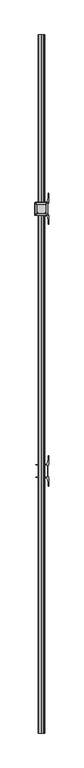
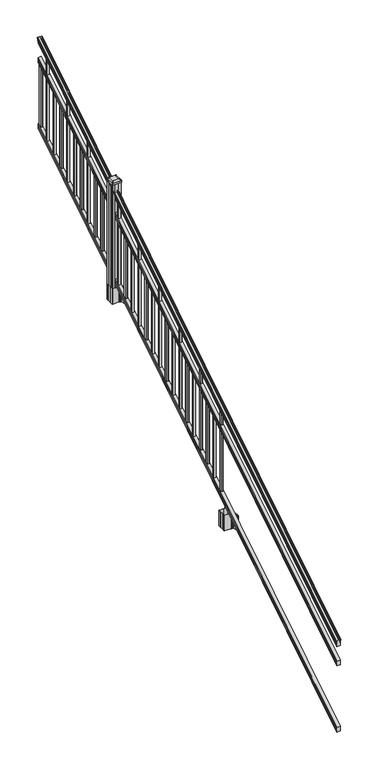
"""IFC4 building model written with IfcOpenShell, lengths in millimetres: railing geometry."""

from ifc_helpers import new_model, si_unit, point, frame, frame_2d, origin, place, context, project, spatial, polyline, circle_curve, ellipse_curve, trimmed, segment, composite_curve, outline, extrude, faceted_brep, source, transform, mapped, element, save
from ifc_brep_helpers import plane_surface, cylinder_surface, revolved_surface, extruded_surface, advanced_brep


def railing_e0702e01(model_context):
    return source(origin(), model_context, "Body", "SolidModel", [
        advanced_brep(
        [(5923.032944, -115957.2628453, 1133.2070492), (5925.6067728, -115957.2628453, 1133.2070492), (5925.6067728, -115957.2628453, 1120.6394336), (5924.5907728, -115957.2628453, 1119.441318), (5924.5907728, -115957.2628453, 1104.9), (5956.3407728, -115957.2628453, 1104.9), (5956.3407728, -115957.2628453, 1119.6274214), (5955.3247728, -115957.2628453, 1120.825537), (5955.3247728, -115957.2628453, 1133.2070492), (5957.8986015, -115957.2628453, 1133.2070492), (5957.8986015, -115957.2628453, 1135.4335658), (5959.0287878, -115957.2628453, 1137.2758543), (5959.0287878, -115957.2628453, 1145.7876358), (5958.3795314, -115957.2628453, 1148.6572588), (5960.8795314, -115957.2628453, 1153.7635509), (5962.2888739, -115957.2628453, 1155.7442021), (5962.6907729, -115957.2628453, 1157.0469579), (5962.6907728, -115957.2628453, 1158.6274846), (5961.1373255, -115957.2628453, 1160.4593836), (5940.4657728, -115957.2628453, 1160.4593836), (5919.79422, -115957.2628453, 1160.4593836), (5918.2407728, -115957.2628453, 1158.6274846), (5918.2407728, -115957.2628453, 1157.0469579), (5918.6426717, -115957.2628453, 1155.7442021), (5920.0520141, -115957.2628453, 1153.7635509), (5922.5520141, -115957.2628453, 1148.6572588), (5921.9027577, -115957.2628453, 1145.7876358), (5921.9027577, -115957.2628453, 1137.2758543), (5923.032944, -115957.2628453, 1135.4335658), (5923.032944, -111080.4628453, 4181.2070492), (5923.032944, -111080.4628453, 4183.4335658), (5921.9027577, -111080.4628453, 4185.2758543), (5921.9027577, -111080.4628453, 4193.7876358), (5922.5520141, -111080.4628453, 4196.6572588), (5920.0520141, -111080.4628453, 4201.7635509), (5918.6426717, -111080.4628453, 4203.7442021), (5918.2407727, -111080.4628453, 4205.0469579), (5918.2407728, -111080.4628453, 4206.6274846), (5919.79422, -111080.4628453, 4208.4593836), (5940.4657728, -111080.4628453, 4208.4593836), (5961.1373255, -111080.4628453, 4208.4593836), (5962.6907728, -111080.4628453, 4206.6274846), (5962.6907728, -111080.4628453, 4205.0469579), (5962.2888739, -111080.4628453, 4203.7442021), (5960.8795314, -111080.4628453, 4201.7635509), (5958.3795314, -111080.4628453, 4196.6572588), (5959.0287878, -111080.4628453, 4193.7876358), (5959.0287878, -111080.4628453, 4185.2758543), (5957.8986015, -111080.4628453, 4183.4335658), (5957.8986015, -111080.4628453, 4181.2070492), (5955.3247728, -111080.4628453, 4181.2070492), (5955.3247728, -111080.4628453, 4168.825537), (5956.3407728, -111080.4628453, 4167.6274214), (5956.3407728, -111080.4628453, 4152.9), (5924.5907728, -111080.4628453, 4152.9), (5924.5907728, -111080.4628453, 4167.441318), (5925.6067728, -111080.4628453, 4168.6394336), (5925.6067728, -111080.4628453, 4181.2070492)],
        [
            (0, 1, ellipse_curve(frame((5924.3198584, -115957.2628453, 1133.2070492), z_axis=(0.0, -1.0, 0.0), x_axis=(0.0, 0.0, -1.0)), 1.5175907, 1.2869144)),
            (1, 2),
            (2, 3),
            (3, 4),
            (4, 5),
            (5, 6),
            (6, 7),
            (7, 8),
            (8, 9, ellipse_curve(frame((5956.6116871, -115957.2628453, 1133.2070492), z_axis=(0.0, -1.0, 0.0), x_axis=(0.0, 0.0, -1.0)), 1.5175907, 1.2869144)),
            (9, 10),
            (10, 11, ellipse_curve(frame((5951.5838482, -115957.2628453, 1142.2239405), z_axis=(0.0, -1.0, 0.0), x_axis=(0.0, 0.0, -1.0)), 10.0777926, 8.545951)),
            (11, 12, ellipse_curve(frame((5952.0209112, -115957.2628453, 1141.5317451), z_axis=(0.0, -1.0, 0.0), x_axis=(0.0, 0.0, -1.0)), 9.2955186, 7.882584)),
            (12, 13, ellipse_curve(frame((5962.5342353, -115957.2628453, 1148.4275077), z_axis=(0.0, 1.0, 0.0), x_axis=(0.0, 0.0, 1.0)), 4.9048088, 4.1592695)),
            (13, 14, ellipse_curve(frame((5963.8215419, -115957.2628453, 1148.3563208), z_axis=(0.0, 1.0, 0.0), x_axis=(0.0, 0.0, 1.0)), 6.4245301, 5.4479907)),
            (14, 15, ellipse_curve(frame((5962.5883834, -115957.2628453, 1153.7602333), z_axis=(0.0, 1.0, 0.0), x_axis=(0.0, 0.0, 1.0)), 2.0151625, 1.7088543)),
            (15, 16, ellipse_curve(frame((5960.9714833, -115957.2628453, 1157.0469579), z_axis=(0.0, -1.0, 0.0), x_axis=(0.0, 0.0, -1.0)), 2.0274681, 1.7192895)),
            (16, 17),
            (17, 18, ellipse_curve(frame((5961.1373255, -115957.2628453, 1158.6274846), z_axis=(0.0, -1.0, 0.0), x_axis=(0.0, 0.0, -1.0)), 1.831899, 1.5534472)),
            (18, 19),
            (19, 20),
            (20, 21, ellipse_curve(frame((5919.79422, -115957.2628453, 1158.6274846), z_axis=(0.0, -1.0, 0.0), x_axis=(0.0, 0.0, -1.0)), 1.831899, 1.5534472)),
            (21, 22),
            (22, 23, ellipse_curve(frame((5919.9600622, -115957.2628453, 1157.0469579), z_axis=(0.0, -1.0, 0.0), x_axis=(0.0, 0.0, -1.0)), 2.0274681, 1.7192895)),
            (23, 24, ellipse_curve(frame((5918.3431621, -115957.2628453, 1153.7602333), z_axis=(0.0, 1.0, 0.0), x_axis=(0.0, 0.0, 1.0)), 2.0151625, 1.7088543)),
            (24, 25, ellipse_curve(frame((5917.1100037, -115957.2628453, 1148.3563208), z_axis=(0.0, 1.0, 0.0), x_axis=(0.0, 0.0, 1.0)), 6.4245301, 5.4479907)),
            (25, 26, ellipse_curve(frame((5918.3973102, -115957.2628453, 1148.4275077), z_axis=(0.0, 1.0, 0.0), x_axis=(0.0, 0.0, 1.0)), 4.9048088, 4.1592695)),
            (26, 27, ellipse_curve(frame((5928.9106343, -115957.2628453, 1141.5317451), z_axis=(0.0, -1.0, 0.0), x_axis=(0.0, 0.0, -1.0)), 9.2955186, 7.882584)),
            (27, 28, ellipse_curve(frame((5929.3476973, -115957.2628453, 1142.2239405), z_axis=(0.0, -1.0, 0.0), x_axis=(0.0, 0.0, -1.0)), 10.0777926, 8.545951)),
            (28, 0),
            (29, 30),
            (30, 31, ellipse_curve(frame((5929.3476973, -111080.4628453, 4190.2239405), z_axis=(0.0, 1.0, 0.0), x_axis=(0.0, 0.0, -1.0)), 10.0777926, 8.545951)),
            (31, 32, ellipse_curve(frame((5928.9106343, -111080.4628453, 4189.5317451), z_axis=(0.0, 1.0, 0.0), x_axis=(0.0, 0.0, -1.0)), 9.2955186, 7.882584)),
            (32, 33, ellipse_curve(frame((5918.3973102, -111080.4628453, 4196.4275077), z_axis=(0.0, -1.0, 0.0), x_axis=(0.0, 0.0, 1.0)), 4.9048088, 4.1592695)),
            (33, 34, ellipse_curve(frame((5917.1100037, -111080.4628453, 4196.3563208), z_axis=(0.0, -1.0, 0.0), x_axis=(0.0, 0.0, 1.0)), 6.4245301, 5.4479907)),
            (34, 35, ellipse_curve(frame((5918.3431621, -111080.4628453, 4201.7602333), z_axis=(0.0, -1.0, 0.0), x_axis=(0.0, 0.0, 1.0)), 2.0151625, 1.7088543)),
            (35, 36, ellipse_curve(frame((5919.9600622, -111080.4628453, 4205.0469579), z_axis=(0.0, 1.0, 0.0), x_axis=(0.0, 0.0, -1.0)), 2.0274681, 1.7192895)),
            (36, 37),
            (37, 38, ellipse_curve(frame((5919.79422, -111080.4628453, 4206.6274846), z_axis=(0.0, 1.0, 0.0), x_axis=(0.0, 0.0, -1.0)), 1.831899, 1.5534472)),
            (38, 39),
            (39, 40),
            (40, 41, ellipse_curve(frame((5961.1373255, -111080.4628453, 4206.6274846), z_axis=(0.0, 1.0, 0.0), x_axis=(0.0, 0.0, -1.0)), 1.831899, 1.5534472)),
            (41, 42),
            (42, 43, ellipse_curve(frame((5960.9714833, -111080.4628453, 4205.0469579), z_axis=(0.0, 1.0, 0.0), x_axis=(0.0, 0.0, -1.0)), 2.0274681, 1.7192895)),
            (43, 44, ellipse_curve(frame((5962.5883834, -111080.4628453, 4201.7602333), z_axis=(0.0, -1.0, 0.0), x_axis=(0.0, 0.0, 1.0)), 2.0151625, 1.7088543)),
            (44, 45, ellipse_curve(frame((5963.8215419, -111080.4628453, 4196.3563208), z_axis=(0.0, -1.0, 0.0), x_axis=(0.0, 0.0, 1.0)), 6.4245301, 5.4479907)),
            (45, 46, ellipse_curve(frame((5962.5342353, -111080.4628453, 4196.4275077), z_axis=(0.0, -1.0, 0.0), x_axis=(0.0, 0.0, 1.0)), 4.9048088, 4.1592695)),
            (46, 47, ellipse_curve(frame((5952.0209112, -111080.4628453, 4189.5317451), z_axis=(0.0, 1.0, 0.0), x_axis=(0.0, 0.0, -1.0)), 9.2955186, 7.882584)),
            (47, 48, ellipse_curve(frame((5951.5838482, -111080.4628453, 4190.2239405), z_axis=(0.0, 1.0, 0.0), x_axis=(0.0, 0.0, -1.0)), 10.0777926, 8.545951)),
            (48, 49),
            (49, 50, ellipse_curve(frame((5956.6116871, -111080.4628453, 4181.2070492), z_axis=(0.0, 1.0, 0.0), x_axis=(0.0, 0.0, -1.0)), 1.5175907, 1.2869144)),
            (50, 51),
            (51, 52),
            (52, 53),
            (53, 54),
            (54, 55),
            (55, 56),
            (56, 57),
            (57, 29, ellipse_curve(frame((5924.3198584, -111080.4628453, 4181.2070492), z_axis=(0.0, 1.0, 0.0), x_axis=(0.0, 0.0, -1.0)), 1.5175907, 1.2869144)),
            (28, 30),
            (29, 0),
            (27, 31),
            (26, 32),
            (25, 33),
            (24, 34),
            (23, 35),
            (22, 36),
            (21, 37),
            (20, 38),
            (19, 39),
            (18, 40),
            (17, 41),
            (16, 42),
            (15, 43),
            (14, 44),
            (13, 45),
            (12, 46),
            (11, 47),
            (10, 48),
            (9, 49),
            (8, 50),
            (7, 51),
            (6, 52),
            (5, 53),
            (4, 54),
            (3, 55),
            (2, 56),
            (1, 57),
        ],
        [
            plane_surface(frame((5940.4657728, -115957.2628453, 1104.9), z_axis=(0.0, -1.0, 0.0), x_axis=(0.0, 0.0, 1.0))),
            plane_surface(frame((5940.4657728, -111080.4628453, 4152.9), z_axis=(0.0, 1.0, 0.0), x_axis=(0.0, 0.0, 1.0))),
            plane_surface(frame((5923.032944, -115957.2628453, 1135.4335658), z_axis=(-1.0, 0.0, 0.0), x_axis=(0.0, 0.8479983040051252, 0.5299989400031204))),
            cylinder_surface(frame((5929.3476973, -115974.03765, 1131.7396876), z_axis=(0.0, -0.8479983040051253, -0.5299989400031204), x_axis=(1.0, 0.0, 0.0)), 8.545951),
            cylinder_surface(frame((5928.9106343, -115973.7265509, 1131.241929), z_axis=(0.0, -0.8479983040051253, -0.5299989400031204), x_axis=(1.0, 0.0, 0.0)), 7.882584),
            revolved_surface(polyline([(5922.5565797, -111078.25843685034, 4197.805262980552), (5922.5565797, -115959.46725374945, 1147.0497524190953)]), (5918.3973102, -115976.8257701, 1136.2006797), (0.0, 0.8479983040051253, 0.5299989400031204)),
            revolved_surface(polyline([(5922.5579944, -111077.57541603575, 4198.160964077185), (5922.5579944, -115960.15027455281, 1146.551677504493)]), (5917.1100037, -115976.793776, 1136.1494891), (0.0, 0.8479983040051253, 0.5299989400031204)),
            revolved_surface(polyline([(5920.0520164, -111079.55715429978, 4202.326290199651), (5920.0520164, -115958.16853632247, 1153.1941764359478)]), (5918.3431621, -115979.2225007, 1140.0354487), (0.0, 0.8479983040051253, 0.5299989400031204)),
            cylinder_surface(frame((5919.9600622, -115980.6996803, 1142.398936), z_axis=(0.0, -0.8479983040051253, -0.5299989400031204), x_axis=(1.0, 0.0, 0.0)), 1.7192895),
            plane_surface(frame((5918.2407728, -115957.2628453, 1158.6274846), z_axis=(-1.0, 0.0, 0.0), x_axis=(0.0, 0.8479983040051252, 0.5299989400031204))),
            cylinder_surface(frame((5919.79422, -115981.4100294, 1143.5354945), z_axis=(0.0, -0.8479983040051253, -0.5299989400031204), x_axis=(1.0, 0.0, 0.0)), 1.5534472),
            plane_surface(frame((5940.4657728, -115957.2628453, 1160.4593836), z_axis=(0.0, -0.5299989400031204, 0.8479983040051252), x_axis=(0.0, 0.8479983040051252, 0.5299989400031204))),
            plane_surface(frame((5961.1373255, -115957.2628453, 1160.4593836), z_axis=(0.0, -0.5299989400031204, 0.8479983040051252), x_axis=(0.0, 0.8479983040051252, 0.5299989400031204))),
            cylinder_surface(frame((5961.1373255, -115981.4100294, 1143.5354945), z_axis=(0.0, -0.8479983040051253, -0.5299989400031204), x_axis=(-1.0, 0.0, 0.0)), 1.5534472),
            plane_surface(frame((5962.6907728, -115957.2628453, 1157.0469579), z_axis=(1.0, 0.0, 0.0), x_axis=(0.0, 0.8479983040051252, 0.5299989400031204))),
            cylinder_surface(frame((5960.9714833, -115980.6996803, 1142.398936), z_axis=(0.0, -0.8479983040051253, -0.5299989400031204), x_axis=(-1.0, 0.0, 0.0)), 1.7192895),
            revolved_surface(polyline([(5960.8795291, -111079.55715429978, 4202.326290199651), (5960.8795291, -115958.16853632247, 1153.1941764359478)]), (5962.5883834, -115979.2225007, 1140.0354487), (0.0, 0.8479983040051253, 0.5299989400031204)),
            revolved_surface(polyline([(5958.373551199999, -111077.57541603575, 4198.160964077185), (5958.373551199999, -115960.15027455281, 1146.551677504493)]), (5963.8215419, -115976.793776, 1136.1494891), (0.0, 0.8479983040051253, 0.5299989400031204)),
            revolved_surface(polyline([(5958.3749658, -111078.25843685034, 4197.805262980552), (5958.3749658, -115959.46725374945, 1147.0497524190953)]), (5962.5342353, -115976.8257701, 1136.2006797), (0.0, 0.8479983040051253, 0.5299989400031204)),
            cylinder_surface(frame((5952.0209112, -115973.7265509, 1131.241929), z_axis=(0.0, -0.8479983040051253, -0.5299989400031204), x_axis=(-1.0, 0.0, 0.0)), 7.882584),
            cylinder_surface(frame((5951.5838482, -115974.03765, 1131.7396876), z_axis=(0.0, -0.8479983040051253, -0.5299989400031204), x_axis=(-1.0, 0.0, 0.0)), 8.545951),
            plane_surface(frame((5957.8986015, -115957.2628453, 1133.2070492), z_axis=(1.0, 0.0, 0.0), x_axis=(0.0, 0.8479983040051252, 0.5299989400031204))),
            cylinder_surface(frame((5956.6116871, -115969.9851146, 1125.2556309), z_axis=(0.0, -0.8479983040051253, -0.5299989400031204), x_axis=(-1.0, 0.0, 0.0)), 1.2869144),
            plane_surface(frame((5955.3247728, -115957.2628453, 1120.825537), z_axis=(1.0, 0.0, 0.0), x_axis=(0.0, 0.8479983040051252, 0.5299989400031204))),
            plane_surface(frame((5956.3407728, -115957.2628453, 1119.6274214), z_axis=(0.7071067811865425, -0.37476584449789213, 0.5996253511967194), x_axis=(0.0, 0.8479983040051252, 0.5299989400031204))),
            plane_surface(frame((5956.3407728, -115957.2628453, 1104.9), z_axis=(1.0, 0.0, 0.0), x_axis=(0.0, 0.8479983040051252, 0.5299989400031204))),
            plane_surface(frame((5924.5907728, -115957.2628453, 1104.9), z_axis=(0.0, 0.5299989400031204, -0.8479983040051252), x_axis=(0.0, 0.8479983040051252, 0.5299989400031204))),
            plane_surface(frame((5924.5907728, -115957.2628453, 1119.441318), z_axis=(-1.0000000000000002, 0.0, 0.0), x_axis=(0.0, 0.8479983040051253, 0.5299989400031204))),
            plane_surface(frame((5925.6067728, -115957.2628453, 1120.6394336), z_axis=(-0.7071067811865401, -0.3747658444978918, 0.5996253511967223), x_axis=(0.0, 0.8479983040051253, 0.5299989400031204))),
            plane_surface(frame((5925.6067728, -115957.2628453, 1133.2070492), z_axis=(-1.0, 0.0, 0.0), x_axis=(0.0, 0.8479983040051252, 0.5299989400031204))),
            cylinder_surface(frame((5924.3198584, -115969.9851146, 1125.2556309), z_axis=(0.0, -0.8479983040051253, -0.5299989400031204), x_axis=(1.0, 0.0, 0.0)), 1.2869144),
        ],
        [
            (0, [[1, 2, 3, 4, 5, 6, 7, 8, 9, 10, 11, 12, 13, 14, 15, 16, 17, 18, 19, 20, 21, 22, 23, 24, 25, 26, 27, 28, 29]]),
            (1, [[30, 31, 32, 33, 34, 35, 36, 37, 38, 39, 40, 41, 42, 43, 44, 45, 46, 47, 48, 49, 50, 51, 52, 53, 54, 55, 56, 57, 58]]),
            (2, [[-29, 59, -30, 60]]),
            (3, [[-28, 61, -31, -59]]),
            (4, [[-27, 62, -32, -61]]),
            (5, [[-26, 63, -33, -62]]),
            (6, [[-25, 64, -34, -63]]),
            (7, [[-24, 65, -35, -64]]),
            (8, [[-23, 66, -36, -65]]),
            (9, [[-22, 67, -37, -66]]),
            (10, [[-21, 68, -38, -67]]),
            (11, [[-20, 69, -39, -68]]),
            (12, [[-19, 70, -40, -69]]),
            (13, [[-18, 71, -41, -70]]),
            (14, [[-17, 72, -42, -71]]),
            (15, [[-16, 73, -43, -72]]),
            (16, [[-15, 74, -44, -73]]),
            (17, [[-14, 75, -45, -74]]),
            (18, [[-13, 76, -46, -75]]),
            (19, [[-12, 77, -47, -76]]),
            (20, [[-11, 78, -48, -77]]),
            (21, [[-10, 79, -49, -78]]),
            (22, [[-9, 80, -50, -79]]),
            (23, [[-8, 81, -51, -80]]),
            (24, [[-7, 82, -52, -81]]),
            (25, [[-6, 83, -53, -82]]),
            (26, [[-5, 84, -54, -83]]),
            (27, [[-4, 85, -55, -84]]),
            (28, [[-3, 86, -56, -85]]),
            (29, [[-2, 87, -57, -86]]),
            (30, [[-1, -60, -58, -87]]),
        ],
    ),
        faceted_brep([(5924.5532859, -115957.2628453, 929.2045079), (5924.5532859, -115957.2628453, 914.4), (5956.3032859, -115957.2628453, 914.4), (5956.3032859, -115957.2628453, 929.1848772), (5955.2872859, -115957.2628453, 930.7748303), (5955.2872859, -115957.2628453, 942.9348741), (5956.3032859, -115957.2628453, 944.5248272), (5956.3032859, -115957.2628453, 959.3244744), (5924.5532859, -115957.2628453, 959.3244744), (5924.5532859, -115957.2628453, 944.5444579), (5925.5692859, -115957.2628453, 942.9545048), (5925.5692859, -115957.2628453, 930.738026), (5924.5532859, -111080.4628453, 3977.2045079), (5925.5692859, -111080.4628453, 3978.738026), (5925.5692859, -111080.4628453, 3990.9545048), (5924.5532859, -111080.4628453, 3992.5444579), (5924.5532859, -111080.4628453, 4007.3244744), (5956.3032859, -111080.4628453, 4007.3244744), (5956.3032859, -111080.4628453, 3992.5248272), (5955.2872859, -111080.4628453, 3990.9348741), (5955.2872859, -111080.4628453, 3978.7748303), (5956.3032859, -111080.4628453, 3977.1848772), (5956.3032859, -111080.4628453, 3962.4), (5924.5532859, -111080.4628453, 3962.4)], [[[0, 1, 2, 3, 4, 5, 6, 7, 8, 9, 10, 11]], [[12, 13, 14, 15, 16, 17, 18, 19, 20, 21, 22, 23]], [[0, 11, 13, 12]], [[11, 10, 14, 13]], [[10, 9, 15, 14]], [[9, 8, 16, 15]], [[8, 7, 17, 16]], [[7, 6, 18, 17]], [[6, 5, 19, 18]], [[5, 4, 20, 19]], [[4, 3, 21, 20]], [[3, 2, 22, 21]], [[2, 1, 23, 22]], [[1, 0, 12, 23]]]),
        faceted_brep([(5924.5532859, -115957.2628453, 268.8045079), (5924.5532859, -115957.2628453, 254.0), (5956.3032859, -115957.2628453, 254.0), (5956.3032859, -115957.2628453, 268.7848772), (5955.2872859, -115957.2628453, 270.3748303), (5955.2872859, -115957.2628453, 282.5348741), (5956.3032859, -115957.2628453, 284.1248272), (5956.3032859, -115957.2628453, 298.9244744), (5924.5532859, -115957.2628453, 298.9244744), (5924.5532859, -115957.2628453, 284.1444579), (5925.5692859, -115957.2628453, 282.5545048), (5925.5692859, -115957.2628453, 270.338026), (5924.5532859, -111080.4628453, 3316.8045079), (5925.5692859, -111080.4628453, 3318.338026), (5925.5692859, -111080.4628453, 3330.5545048), (5924.5532859, -111080.4628453, 3332.1444579), (5924.5532859, -111080.4628453, 3346.9244744), (5956.3032859, -111080.4628453, 3346.9244744), (5956.3032859, -111080.4628453, 3332.1248272), (5955.2872859, -111080.4628453, 3330.5348741), (5955.2872859, -111080.4628453, 3318.3748303), (5956.3032859, -111080.4628453, 3316.7848772), (5956.3032859, -111080.4628453, 3302.0), (5924.5532859, -111080.4628453, 3302.0)], [[[0, 1, 2, 3, 4, 5, 6, 7, 8, 9, 10, 11]], [[12, 13, 14, 15, 16, 17, 18, 19, 20, 21, 22, 23]], [[1, 0, 12, 23]], [[7, 6, 18, 17]], [[9, 8, 16, 15]], [[11, 10, 14, 13]], [[2, 1, 23, 22]], [[3, 2, 22, 21]], [[4, 3, 21, 20]], [[5, 4, 20, 19]], [[6, 5, 19, 18]], [[8, 7, 17, 16]], [[10, 9, 15, 14]], [[0, 11, 13, 12]]]),
        extrude(outline(polyline([(5930.9407728, -111111.5778453), (5930.9407728, -111092.5278453), (5949.9907728, -111092.5278453), (5949.9907728, -111111.5778453), (5930.9407728, -111111.5778453)]), holes=[polyline([(5931.3376478, -111111.1809703), (5949.5938978, -111111.1809703), (5949.5938978, -111092.9247203), (5931.3376478, -111092.9247203), (5931.3376478, -111111.1809703)])]), frame((0.0, 0.0, 3326.6021281), z_axis=(0.0, 0.0, 1.0), x_axis=(1.0, 0.0, 0.0)), (0.0, 0.0, 1.0), 622.3041219),
        extrude(outline(polyline([(5930.9407728, -111222.8298453), (5930.9407728, -111203.7798453), (5949.9907728, -111203.7798453), (5949.9907728, -111222.8298453), (5930.9407728, -111222.8298453)]), holes=[polyline([(5931.3376478, -111222.4329703), (5949.5938978, -111222.4329703), (5949.5938978, -111204.1767203), (5931.3376478, -111204.1767203), (5931.3376478, -111222.4329703)])]), frame((0.0, 0.0, 3257.0696281), z_axis=(0.0, 0.0, 1.0), x_axis=(1.0, 0.0, 0.0)), (0.0, 0.0, 1.0), 812.8041219),
        extrude(outline(polyline([(5930.9407728, -111334.0818453), (5930.9407728, -111315.0318453), (5949.9907728, -111315.0318453), (5949.9907728, -111334.0818453), (5930.9407728, -111334.0818453)]), holes=[polyline([(5931.3376478, -111333.6849703), (5949.5938978, -111333.6849703), (5949.5938978, -111315.4287203), (5931.3376478, -111315.4287203), (5931.3376478, -111333.6849703)])]), frame((0.0, 0.0, 3187.5371281), z_axis=(0.0, 0.0, 1.0), x_axis=(1.0, 0.0, 0.0)), (0.0, 0.0, 1.0), 622.3041219),
        extrude(outline(polyline([(5930.9407728, -111445.3338453), (5930.9407728, -111426.2838453), (5949.9907728, -111426.2838453), (5949.9907728, -111445.3338453), (5930.9407728, -111445.3338453)]), holes=[polyline([(5931.3376478, -111444.9369703), (5949.5938978, -111444.9369703), (5949.5938978, -111426.6807203), (5931.3376478, -111426.6807203), (5931.3376478, -111444.9369703)])]), frame((0.0, 0.0, 3118.0046281), z_axis=(0.0, 0.0, 1.0), x_axis=(1.0, 0.0, 0.0)), (0.0, 0.0, 1.0), 622.3041219),
        extrude(outline(polyline([(5930.9407728, -111556.5858453), (5930.9407728, -111537.5358453), (5949.9907728, -111537.5358453), (5949.9907728, -111556.5858453), (5930.9407728, -111556.5858453)]), holes=[polyline([(5931.3376478, -111556.1889703), (5949.5938978, -111556.1889703), (5949.5938978, -111537.9327203), (5931.3376478, -111537.9327203), (5931.3376478, -111556.1889703)])]), frame((0.0, 0.0, 3048.4721281), z_axis=(0.0, 0.0, 1.0), x_axis=(1.0, 0.0, 0.0)), (0.0, 0.0, 1.0), 812.8041219),
        extrude(outline(polyline([(5930.9407728, -111667.8378453), (5930.9407728, -111648.7878453), (5949.9907728, -111648.7878453), (5949.9907728, -111667.8378453), (5930.9407728, -111667.8378453)]), holes=[polyline([(5931.3376478, -111667.4409703), (5949.5938978, -111667.4409703), (5949.5938978, -111649.1847203), (5931.3376478, -111649.1847203), (5931.3376478, -111667.4409703)])]), frame((0.0, 0.0, 2978.9396281), z_axis=(0.0, 0.0, 1.0), x_axis=(1.0, 0.0, 0.0)), (0.0, 0.0, 1.0), 622.3041219),
        extrude(outline(polyline([(5930.9407728, -111779.0898453), (5930.9407728, -111760.0398453), (5949.9907728, -111760.0398453), (5949.9907728, -111779.0898453), (5930.9407728, -111779.0898453)]), holes=[polyline([(5931.3376478, -111778.6929703), (5949.5938978, -111778.6929703), (5949.5938978, -111760.4367203), (5931.3376478, -111760.4367203), (5931.3376478, -111778.6929703)])]), frame((0.0, 0.0, 2909.4071281), z_axis=(0.0, 0.0, 1.0), x_axis=(1.0, 0.0, 0.0)), (0.0, 0.0, 1.0), 622.3041219),
        extrude(outline(polyline([(5930.9407728, -111890.3418453), (5930.9407728, -111871.2918453), (5949.9907728, -111871.2918453), (5949.9907728, -111890.3418453), (5930.9407728, -111890.3418453)]), holes=[polyline([(5931.3376478, -111889.9449703), (5949.5938978, -111889.9449703), (5949.5938978, -111871.6887203), (5931.3376478, -111871.6887203), (5931.3376478, -111889.9449703)])]), frame((0.0, 0.0, 2839.8746281), z_axis=(0.0, 0.0, 1.0), x_axis=(1.0, 0.0, 0.0)), (0.0, 0.0, 1.0), 812.8041219),
        extrude(outline(polyline([(5930.9407728, -112001.5938453), (5930.9407728, -111982.5438453), (5949.9907728, -111982.5438453), (5949.9907728, -112001.5938453), (5930.9407728, -112001.5938453)]), holes=[polyline([(5931.3376478, -112001.1969703), (5949.5938978, -112001.1969703), (5949.5938978, -111982.9407203), (5931.3376478, -111982.9407203), (5931.3376478, -112001.1969703)])]), frame((0.0, 0.0, 2770.3421281), z_axis=(0.0, 0.0, 1.0), x_axis=(1.0, 0.0, 0.0)), (0.0, 0.0, 1.0), 622.3041219),
        extrude(outline(polyline([(5930.9407728, -112112.8458453), (5930.9407728, -112093.7958453), (5949.9907728, -112093.7958453), (5949.9907728, -112112.8458453), (5930.9407728, -112112.8458453)]), holes=[polyline([(5931.3376478, -112112.4489703), (5949.5938978, -112112.4489703), (5949.5938978, -112094.1927203), (5931.3376478, -112094.1927203), (5931.3376478, -112112.4489703)])]), frame((0.0, 0.0, 2700.8096281), z_axis=(0.0, 0.0, 1.0), x_axis=(1.0, 0.0, 0.0)), (0.0, 0.0, 1.0), 622.3041219),
        extrude(outline(polyline([(5930.9407728, -112224.0978453), (5930.9407728, -112205.0478453), (5949.9907728, -112205.0478453), (5949.9907728, -112224.0978453), (5930.9407728, -112224.0978453)]), holes=[polyline([(5931.3376478, -112223.7009703), (5949.5938978, -112223.7009703), (5949.5938978, -112205.4447203), (5931.3376478, -112205.4447203), (5931.3376478, -112223.7009703)])]), frame((0.0, 0.0, 2631.2771281), z_axis=(0.0, 0.0, 1.0), x_axis=(1.0, 0.0, 0.0)), (0.0, 0.0, 1.0), 812.8041219),
        extrude(outline(composite_curve([segment(polyline([(5897.7302728, -112312.9849401), (5897.7302728, -112278.2127504), (5896.1427728, -112277.4507504), (5896.1427728, -112254.6488224), (5899.5157498, -112251.2758453), (5960.9754206, -112251.2758453), (5960.9754206, -112250.3550953), (5966.2929645, -112250.3550953), (5966.2929645, -112248.9008406), (5971.3774942, -112248.9008406), (5971.3774942, -112247.6168168), (5973.0447665, -112247.6168168)]), True, "CONTINUOUS"), segment(trimmed(circle_curve(frame_2d((5973.0447665, -112240.5573569)), 7.0594599), [point((5973.0447665, -112247.6168168))], [point((5979.8120293, -112242.5673636))], True, "CARTESIAN"), True, "CONTINUOUS"), segment(polyline([(5979.8120293, -112242.5673636), (5987.6862236, -112216.0566345)]), True, "CONTINUOUS"), segment(trimmed(circle_curve(frame_2d((5932.9017103, -112199.7845848)), 57.15), [point((5987.6862236, -112216.0566345))], [point((5990.0517103, -112199.7845848))], True, "CARTESIAN"), True, "CONTINUOUS"), segment(polyline([(5990.0517103, -112199.7845848), (5990.0517103, -112187.7758453), (5993.0517103, -112187.7758453), (5993.0517103, -112252.8633453), (5984.7887728, -112264.2016366), (5984.7887728, -112277.4507504), (5983.2012728, -112278.2127504), (5983.2012728, -112312.9849401), (5984.7887728, -112313.7469401), (5984.7887728, -112326.996054), (5993.0517103, -112338.3343453), (5993.0517103, -112403.4218453), (5990.0517103, -112403.4218453), (5990.0517103, -112391.4131057)]), True, "CONTINUOUS"), segment(trimmed(circle_curve(frame_2d((5932.9017103, -112391.4131057)), 57.15), [point((5990.0517103, -112391.4131057))], [point((5987.6862236, -112375.1410561))], True, "CARTESIAN"), True, "CONTINUOUS"), segment(polyline([(5987.6862236, -112375.1410561), (5979.8120293, -112348.630327)]), True, "CONTINUOUS"), segment(trimmed(circle_curve(frame_2d((5973.0447665, -112350.6403337)), 7.0594599), [point((5979.8120293, -112348.630327))], [point((5973.0447665, -112343.5808738))], True, "CARTESIAN"), True, "CONTINUOUS"), segment(polyline([(5973.0447665, -112343.5808738), (5971.3774942, -112343.5808738), (5971.3774942, -112342.29685), (5966.2929645, -112342.29685), (5966.2929645, -112340.8425953), (5960.9754206, -112340.8425953), (5960.9754206, -112339.9218453), (5899.5157498, -112339.9218453), (5896.1427728, -112336.5488682), (5896.1427728, -112313.7469401), (5897.7302728, -112312.9849401)]), True, "CONTINUOUS")], self_intersect=False), holes=[polyline([(5981.7407728, -112255.9113453), (5980.1532728, -112254.3238453), (5943.2289902, -112254.3238453), (5900.7782728, -112254.3238453), (5899.1907728, -112255.9113453), (5899.1907728, -112335.2863453), (5900.7782728, -112336.8738453), (5943.2289902, -112336.8738453), (5980.1532728, -112336.8738453), (5981.7407728, -112335.2863453), (5981.7407728, -112255.9113453)])]), frame((0.0, 0.0, 2326.64), z_axis=(0.0, 0.0, 1.0), x_axis=(1.0, 0.0, 0.0)), (0.0, 0.0, 1.0), 152.4),
        advanced_brep(
        [(5966.2626478, -112324.5707203, 3538.979263), (5969.4376478, -112321.3957203, 3538.979263), (5969.4376478, -112269.8019703, 3538.979263), (5966.2626478, -112266.6269703, 3538.979263), (5914.6688978, -112266.6269703, 3538.979263), (5911.4938978, -112269.8019703, 3538.979263), (5911.4938978, -112321.3957203, 3538.979263), (5914.6688978, -112324.5707203, 3538.979263), (5982.5345228, -112340.8425953, 3527.676263), (5898.3970228, -112340.8425953, 3527.676263), (5895.2220228, -112337.6675953, 3527.676263), (5895.2220228, -112253.5300953, 3527.676263), (5898.3970228, -112250.3550953, 3527.676263), (5982.5345228, -112250.3550953, 3527.676263), (5985.7095228, -112253.5300953, 3527.676263), (5985.7095228, -112337.6675953, 3527.676263)],
        [
            (0, 1, circle_curve(frame((5966.2626478, -112321.3957203, 3538.979263), z_axis=(0.0, 0.0, 1.0), x_axis=(0.0, 1.0, 0.0)), 3.175)),
            (1, 2),
            (2, 3, circle_curve(frame((5966.2626478, -112269.8019703, 3538.979263), z_axis=(0.0, 0.0, 1.0), x_axis=(0.0, 1.0, 0.0)), 3.175)),
            (3, 4),
            (4, 5, circle_curve(frame((5914.6688978, -112269.8019703, 3538.979263), z_axis=(0.0, 0.0, 1.0), x_axis=(0.0, 1.0, 0.0)), 3.175)),
            (5, 6),
            (6, 7, circle_curve(frame((5914.6688978, -112321.3957203, 3538.979263), z_axis=(0.0, 0.0, 1.0), x_axis=(0.0, 1.0, 0.0)), 3.175)),
            (7, 0),
            (8, 9),
            (9, 10, circle_curve(frame((5898.3970228, -112337.6675953, 3527.676263), z_axis=(0.0, 0.0, -1.0), x_axis=(0.0, 1.0, 0.0)), 3.175)),
            (10, 11),
            (11, 12, circle_curve(frame((5898.3970228, -112253.5300953, 3527.676263), z_axis=(0.0, 0.0, -1.0), x_axis=(0.0, 1.0, 0.0)), 3.175)),
            (12, 13),
            (13, 14, circle_curve(frame((5982.5345228, -112253.5300953, 3527.676263), z_axis=(0.0, 0.0, -1.0), x_axis=(0.0, 1.0, 0.0)), 3.175)),
            (14, 15),
            (15, 8, circle_curve(frame((5982.5345228, -112337.6675953, 3527.676263), z_axis=(0.0, 0.0, -1.0), x_axis=(0.0, 1.0, 0.0)), 3.175)),
            (15, 1),
            (0, 8),
            (14, 2),
            (13, 3),
            (12, 4),
            (11, 5),
            (10, 6),
            (9, 7),
        ],
        [
            plane_surface(frame((5940.4657728, -112295.5988453, 3538.979263), z_axis=(0.0, 0.0, 1.0), x_axis=(1.0, 0.0, 0.0))),
            plane_surface(frame((5940.4657728, -112295.5988453, 3527.676263), z_axis=(0.0, 0.0, -1.0), x_axis=(1.0, 0.0, 0.0))),
            extruded_surface(trimmed(circle_curve(frame((5982.5345228, -112337.6675953, 3527.676263), z_axis=(0.0, 0.0, 1.0), x_axis=(0.0, 1.0, 0.0)), 3.175), [point((5982.5345228, -112340.8425953, 3527.676263))], [point((5985.7095228, -112337.6675953, 3527.676263))], True, "CARTESIAN"), (-16.271874999999454, 16.27187499999127, 11.303000000000338), 25.637972638860422),
            plane_surface(frame((5985.7095228, -112295.5988453, 3527.676263), z_axis=(0.5705009161540778, 0.0, 0.8212969649690408), x_axis=(0.0, 1.0, 0.0))),
            extruded_surface(trimmed(circle_curve(frame((5982.5345228, -112253.5300953, 3527.676263), z_axis=(0.0, 0.0, 1.0), x_axis=(0.0, 1.0, 0.0)), 3.175), [point((5985.7095228, -112253.5300953, 3527.676263))], [point((5982.5345228, -112250.3550953, 3527.676263))], True, "CARTESIAN"), (-16.271874999999454, -16.27187500000582, 11.303000000000338), 25.63797263886966),
            plane_surface(frame((5940.4657728, -112250.3550953, 3527.676263), z_axis=(0.0, 0.5705009161540291, 0.8212969649690747), x_axis=(-1.0, 0.0, 0.0))),
            extruded_surface(trimmed(circle_curve(frame((5898.3970228, -112253.5300953, 3527.676263), z_axis=(0.0, 0.0, 1.0), x_axis=(0.0, 1.0, 0.0)), 3.175), [point((5898.3970228, -112250.3550953, 3527.676263))], [point((5895.2220228, -112253.5300953, 3527.676263))], True, "CARTESIAN"), (16.271875000000364, -16.27187500000582, 11.303000000000338), 25.637972638870238),
            plane_surface(frame((5895.2220228, -112295.5988453, 3527.676263), z_axis=(-0.5705009161540142, 0.0, 0.8212969649690851), x_axis=(0.0, -1.0, 0.0))),
            extruded_surface(trimmed(circle_curve(frame((5898.3970228, -112337.6675953, 3527.676263), z_axis=(0.0, 0.0, 1.0), x_axis=(0.0, 1.0, 0.0)), 3.175), [point((5895.2220228, -112337.6675953, 3527.676263))], [point((5898.3970228, -112340.8425953, 3527.676263))], True, "CARTESIAN"), (16.271875000000364, 16.27187499999127, 11.303000000000338), 25.637972638861),
            plane_surface(frame((5940.4657728, -112340.8425953, 3527.676263), z_axis=(0.0, -0.570500916154034, 0.8212969649690713), x_axis=(1.0, 0.0, 0.0))),
        ],
        [
            (0, [[1, 2, 3, 4, 5, 6, 7, 8]]),
            (1, [[9, 10, 11, 12, 13, 14, 15, 16]]),
            (2, [[-16, 17, -1, 18]]),
            (3, [[-15, 19, -2, -17]]),
            (4, [[-14, 20, -3, -19]]),
            (5, [[-13, 21, -4, -20]]),
            (6, [[-12, 22, -5, -21]]),
            (7, [[-11, 23, -6, -22]]),
            (8, [[-10, 24, -7, -23]]),
            (9, [[-9, -18, -8, -24]]),
        ],
    ),
        extrude(outline(composite_curve([segment(polyline([(5982.5345228, -112340.8425953), (5898.3970228, -112340.8425953)]), True, "CONTINUOUS"), segment(trimmed(circle_curve(frame_2d((5898.3970228, -112337.6675953)), 3.175), [point((5898.3970228, -112340.8425953))], [point((5895.2220228, -112337.6675953))], False, "CARTESIAN"), True, "CONTINUOUS"), segment(polyline([(5895.2220228, -112337.6675953), (5895.2220228, -112253.5300953)]), True, "CONTINUOUS"), segment(trimmed(circle_curve(frame_2d((5898.3970228, -112253.5300953)), 3.175), [point((5895.2220228, -112253.5300953))], [point((5898.3970228, -112250.3550953))], False, "CARTESIAN"), True, "CONTINUOUS"), segment(polyline([(5898.3970228, -112250.3550953), (5982.5345228, -112250.3550953)]), True, "CONTINUOUS"), segment(trimmed(circle_curve(frame_2d((5982.5345228, -112253.5300953)), 3.175), [point((5982.5345228, -112250.3550953))], [point((5985.7095228, -112253.5300953))], False, "CARTESIAN"), True, "CONTINUOUS"), segment(polyline([(5985.7095228, -112253.5300953), (5985.7095228, -112337.6675953)]), True, "CONTINUOUS"), segment(trimmed(circle_curve(frame_2d((5982.5345228, -112337.6675953)), 3.175), [point((5985.7095228, -112337.6675953))], [point((5982.5345228, -112340.8425953))], False, "CARTESIAN"), True, "CONTINUOUS")], self_intersect=False)), frame((0.0, 0.0, 3510.404263), z_axis=(0.0, 0.0, 1.0), x_axis=(1.0, 0.0, 0.0)), (0.0, 0.0, 1.0), 17.272),
        extrude(outline(polyline([(5980.1532728, -112336.8738453), (5960.5317728, -112336.8738453), (5959.7697728, -112335.2863453), (5921.1617728, -112335.2863453), (5920.3997728, -112336.8738453), (5900.7782728, -112336.8738453), (5899.1907728, -112335.2863453), (5899.1907728, -112315.6648453), (5900.7782728, -112314.9028453), (5900.7782728, -112276.2948453), (5899.1907728, -112275.5328453), (5899.1907728, -112255.9113453), (5900.7782728, -112254.3238453), (5920.3997728, -112254.3238453), (5921.1617728, -112255.9113453), (5959.7697728, -112255.9113453), (5960.5317728, -112254.3238453), (5980.1532728, -112254.3238453), (5981.7407728, -112255.9113453), (5981.7407728, -112275.5328453), (5980.1532728, -112276.2948453), (5980.1532728, -112314.9028453), (5981.7407728, -112315.6648453), (5981.7407728, -112335.2863453), (5980.1532728, -112336.8738453)])), frame((0.0, 0.0, 2479.04), z_axis=(0.0, 0.0, 1.0), x_axis=(1.0, 0.0, 0.0)), (0.0, 0.0, 1.0), 1031.364263),
        extrude(outline(polyline([(5930.9407728, -112386.1498453), (5930.9407728, -112367.0998453), (5949.9907728, -112367.0998453), (5949.9907728, -112386.1498453), (5930.9407728, -112386.1498453)]), holes=[polyline([(5931.3376478, -112385.7529703), (5949.5938978, -112385.7529703), (5949.5938978, -112367.4967203), (5931.3376478, -112367.4967203), (5931.3376478, -112385.7529703)])]), frame((0.0, 0.0, 2529.9946281), z_axis=(0.0, 0.0, 1.0), x_axis=(1.0, 0.0, 0.0)), (0.0, 0.0, 1.0), 812.8041219),
        extrude(outline(polyline([(5930.9407728, -112497.4018453), (5930.9407728, -112478.3518453), (5949.9907728, -112478.3518453), (5949.9907728, -112497.4018453), (5930.9407728, -112497.4018453)]), holes=[polyline([(5931.3376478, -112497.0049703), (5949.5938978, -112497.0049703), (5949.5938978, -112478.7487203), (5931.3376478, -112478.7487203), (5931.3376478, -112497.0049703)])]), frame((0.0, 0.0, 2460.4621281), z_axis=(0.0, 0.0, 1.0), x_axis=(1.0, 0.0, 0.0)), (0.0, 0.0, 1.0), 622.3041219),
        extrude(outline(polyline([(5930.9407728, -112608.6538453), (5930.9407728, -112589.6038453), (5949.9907728, -112589.6038453), (5949.9907728, -112608.6538453), (5930.9407728, -112608.6538453)]), holes=[polyline([(5931.3376478, -112608.2569703), (5949.5938978, -112608.2569703), (5949.5938978, -112590.0007203), (5931.3376478, -112590.0007203), (5931.3376478, -112608.2569703)])]), frame((0.0, 0.0, 2390.9296281), z_axis=(0.0, 0.0, 1.0), x_axis=(1.0, 0.0, 0.0)), (0.0, 0.0, 1.0), 622.3041219),
        extrude(outline(polyline([(5930.9407728, -112719.9058453), (5930.9407728, -112700.8558453), (5949.9907728, -112700.8558453), (5949.9907728, -112719.9058453), (5930.9407728, -112719.9058453)]), holes=[polyline([(5931.3376478, -112719.5089703), (5949.5938978, -112719.5089703), (5949.5938978, -112701.2527203), (5931.3376478, -112701.2527203), (5931.3376478, -112719.5089703)])]), frame((0.0, 0.0, 2321.3971281), z_axis=(0.0, 0.0, 1.0), x_axis=(1.0, 0.0, 0.0)), (0.0, 0.0, 1.0), 812.8041219),
        extrude(outline(polyline([(5930.9407728, -112831.1578453), (5930.9407728, -112812.1078453), (5949.9907728, -112812.1078453), (5949.9907728, -112831.1578453), (5930.9407728, -112831.1578453)]), holes=[polyline([(5931.3376478, -112830.7609703), (5949.5938978, -112830.7609703), (5949.5938978, -112812.5047203), (5931.3376478, -112812.5047203), (5931.3376478, -112830.7609703)])]), frame((0.0, 0.0, 2251.8646281), z_axis=(0.0, 0.0, 1.0), x_axis=(1.0, 0.0, 0.0)), (0.0, 0.0, 1.0), 622.3041219),
        extrude(outline(polyline([(5930.9407728, -112942.4098453), (5930.9407728, -112923.3598453), (5949.9907728, -112923.3598453), (5949.9907728, -112942.4098453), (5930.9407728, -112942.4098453)]), holes=[polyline([(5931.3376478, -112942.0129703), (5949.5938978, -112942.0129703), (5949.5938978, -112923.7567203), (5931.3376478, -112923.7567203), (5931.3376478, -112942.0129703)])]), frame((0.0, 0.0, 2182.3321281), z_axis=(0.0, 0.0, 1.0), x_axis=(1.0, 0.0, 0.0)), (0.0, 0.0, 1.0), 622.3041219),
        extrude(outline(polyline([(5930.9407728, -113053.6618453), (5930.9407728, -113034.6118453), (5949.9907728, -113034.6118453), (5949.9907728, -113053.6618453), (5930.9407728, -113053.6618453)]), holes=[polyline([(5931.3376478, -113053.2649703), (5949.5938978, -113053.2649703), (5949.5938978, -113035.0087203), (5931.3376478, -113035.0087203), (5931.3376478, -113053.2649703)])]), frame((0.0, 0.0, 2112.7996281), z_axis=(0.0, 0.0, 1.0), x_axis=(1.0, 0.0, 0.0)), (0.0, 0.0, 1.0), 812.8041219),
        extrude(outline(polyline([(5930.9407728, -113164.9138453), (5930.9407728, -113145.8638453), (5949.9907728, -113145.8638453), (5949.9907728, -113164.9138453), (5930.9407728, -113164.9138453)]), holes=[polyline([(5931.3376478, -113164.5169703), (5949.5938978, -113164.5169703), (5949.5938978, -113146.2607203), (5931.3376478, -113146.2607203), (5931.3376478, -113164.5169703)])]), frame((0.0, 0.0, 2043.2671281), z_axis=(0.0, 0.0, 1.0), x_axis=(1.0, 0.0, 0.0)), (0.0, 0.0, 1.0), 622.3041219),
        extrude(outline(polyline([(5930.9407728, -113276.1658453), (5930.9407728, -113257.1158453), (5949.9907728, -113257.1158453), (5949.9907728, -113276.1658453), (5930.9407728, -113276.1658453)]), holes=[polyline([(5931.3376478, -113275.7689703), (5949.5938978, -113275.7689703), (5949.5938978, -113257.5127203), (5931.3376478, -113257.5127203), (5931.3376478, -113275.7689703)])]), frame((0.0, 0.0, 1973.7346281), z_axis=(0.0, 0.0, 1.0), x_axis=(1.0, 0.0, 0.0)), (0.0, 0.0, 1.0), 622.3041219),
        extrude(outline(polyline([(5930.9407728, -113387.4178453), (5930.9407728, -113368.3678453), (5949.9907728, -113368.3678453), (5949.9907728, -113387.4178453), (5930.9407728, -113387.4178453)]), holes=[polyline([(5931.3376478, -113387.0209703), (5949.5938978, -113387.0209703), (5949.5938978, -113368.7647203), (5931.3376478, -113368.7647203), (5931.3376478, -113387.0209703)])]), frame((0.0, 0.0, 1904.2021281), z_axis=(0.0, 0.0, 1.0), x_axis=(1.0, 0.0, 0.0)), (0.0, 0.0, 1.0), 812.8041219),
        extrude(outline(polyline([(5930.9407728, -113498.6698453), (5930.9407728, -113479.6198453), (5949.9907728, -113479.6198453), (5949.9907728, -113498.6698453), (5930.9407728, -113498.6698453)]), holes=[polyline([(5931.3376478, -113498.2729703), (5949.5938978, -113498.2729703), (5949.5938978, -113480.0167203), (5931.3376478, -113480.0167203), (5931.3376478, -113498.2729703)])]), frame((0.0, 0.0, 1834.6696281), z_axis=(0.0, 0.0, 1.0), x_axis=(1.0, 0.0, 0.0)), (0.0, 0.0, 1.0), 622.3041219),
        extrude(outline(polyline([(5930.9407728, -113609.9218453), (5930.9407728, -113590.8718453), (5949.9907728, -113590.8718453), (5949.9907728, -113609.9218453), (5930.9407728, -113609.9218453)]), holes=[polyline([(5931.3376478, -113609.5249703), (5949.5938978, -113609.5249703), (5949.5938978, -113591.2687203), (5931.3376478, -113591.2687203), (5931.3376478, -113609.5249703)])]), frame((0.0, 0.0, 1765.1371281), z_axis=(0.0, 0.0, 1.0), x_axis=(1.0, 0.0, 0.0)), (0.0, 0.0, 1.0), 622.3041219),
        extrude(outline(polyline([(5930.9407728, -113721.1738453), (5930.9407728, -113702.1238453), (5949.9907728, -113702.1238453), (5949.9907728, -113721.1738453), (5930.9407728, -113721.1738453)]), holes=[polyline([(5931.3376478, -113720.7769703), (5949.5938978, -113720.7769703), (5949.5938978, -113702.5207203), (5931.3376478, -113702.5207203), (5931.3376478, -113720.7769703)])]), frame((0.0, 0.0, 1695.6046281), z_axis=(0.0, 0.0, 1.0), x_axis=(1.0, 0.0, 0.0)), (0.0, 0.0, 1.0), 812.8041219),
        extrude(outline(polyline([(5930.9407728, -113832.4258453), (5930.9407728, -113813.3758453), (5949.9907728, -113813.3758453), (5949.9907728, -113832.4258453), (5930.9407728, -113832.4258453)]), holes=[polyline([(5931.3376478, -113832.0289703), (5949.5938978, -113832.0289703), (5949.5938978, -113813.7727203), (5931.3376478, -113813.7727203), (5931.3376478, -113832.0289703)])]), frame((0.0, 0.0, 1626.0721281), z_axis=(0.0, 0.0, 1.0), x_axis=(1.0, 0.0, 0.0)), (0.0, 0.0, 1.0), 622.3041219),
        extrude(outline(polyline([(5930.9407728, -113943.6778453), (5930.9407728, -113924.6278453), (5949.9907728, -113924.6278453), (5949.9907728, -113943.6778453), (5930.9407728, -113943.6778453)]), holes=[polyline([(5931.3376478, -113943.2809703), (5949.5938978, -113943.2809703), (5949.5938978, -113925.0247203), (5931.3376478, -113925.0247203), (5931.3376478, -113943.2809703)])]), frame((0.0, 0.0, 1556.5396281), z_axis=(0.0, 0.0, 1.0), x_axis=(1.0, 0.0, 0.0)), (0.0, 0.0, 1.0), 622.3041219),
        extrude(outline(polyline([(5930.9407728, -114054.9298453), (5930.9407728, -114035.8798453), (5949.9907728, -114035.8798453), (5949.9907728, -114054.9298453), (5930.9407728, -114054.9298453)]), holes=[polyline([(5931.3376478, -114054.5329703), (5949.5938978, -114054.5329703), (5949.5938978, -114036.2767203), (5931.3376478, -114036.2767203), (5931.3376478, -114054.5329703)])]), frame((0.0, 0.0, 1487.0071281), z_axis=(0.0, 0.0, 1.0), x_axis=(1.0, 0.0, 0.0)), (0.0, 0.0, 1.0), 812.8041219),
        extrude(outline(composite_curve([segment(polyline([(5897.7302728, -114143.8169401), (5897.7302728, -114109.0447504), (5896.1427728, -114108.2827504), (5896.1427728, -114085.4808224), (5899.5157498, -114082.1078453), (5960.9754206, -114082.1078453), (5960.9754206, -114081.1870953), (5966.2929645, -114081.1870953), (5966.2929645, -114079.7328406), (5971.3774942, -114079.7328406), (5971.3774942, -114078.4488168), (5973.0447665, -114078.4488168)]), True, "CONTINUOUS"), segment(trimmed(circle_curve(frame_2d((5973.0447665, -114071.3893569)), 7.0594599), [point((5973.0447665, -114078.4488168))], [point((5979.8120293, -114073.3993636))], True, "CARTESIAN"), True, "CONTINUOUS"), segment(polyline([(5979.8120293, -114073.3993636), (5987.6862236, -114046.8886345)]), True, "CONTINUOUS"), segment(trimmed(circle_curve(frame_2d((5932.9017103, -114030.6165848)), 57.15), [point((5987.6862236, -114046.8886345))], [point((5990.0517103, -114030.6165848))], True, "CARTESIAN"), True, "CONTINUOUS"), segment(polyline([(5990.0517103, -114030.6165848), (5990.0517103, -114018.6078453), (5993.0517103, -114018.6078453), (5993.0517103, -114083.6953453), (5984.7887728, -114095.0336366), (5984.7887728, -114108.2827504), (5983.2012728, -114109.0447504), (5983.2012728, -114143.8169401), (5984.7887728, -114144.5789401), (5984.7887728, -114157.828054), (5993.0517103, -114169.1663453), (5993.0517103, -114234.2538453), (5990.0517103, -114234.2538453), (5990.0517103, -114222.2451057)]), True, "CONTINUOUS"), segment(trimmed(circle_curve(frame_2d((5932.9017103, -114222.2451057)), 57.15), [point((5990.0517103, -114222.2451057))], [point((5987.6862236, -114205.9730561))], True, "CARTESIAN"), True, "CONTINUOUS"), segment(polyline([(5987.6862236, -114205.9730561), (5979.8120293, -114179.462327)]), True, "CONTINUOUS"), segment(trimmed(circle_curve(frame_2d((5973.0447665, -114181.4723337)), 7.0594599), [point((5979.8120293, -114179.462327))], [point((5973.0447665, -114174.4128738))], True, "CARTESIAN"), True, "CONTINUOUS"), segment(polyline([(5973.0447665, -114174.4128738), (5971.3774942, -114174.4128738), (5971.3774942, -114173.12885), (5966.2929645, -114173.12885), (5966.2929645, -114171.6745953), (5960.9754206, -114171.6745953), (5960.9754206, -114170.7538453), (5899.5157498, -114170.7538453), (5896.1427728, -114167.3808682), (5896.1427728, -114144.5789401), (5897.7302728, -114143.8169401)]), True, "CONTINUOUS")], self_intersect=False), holes=[polyline([(5981.7407728, -114086.7433453), (5980.1532728, -114085.1558453), (5943.2289902, -114085.1558453), (5900.7782728, -114085.1558453), (5899.1907728, -114086.7433453), (5899.1907728, -114166.1183453), (5900.7782728, -114167.7058453), (5943.2289902, -114167.7058453), (5980.1532728, -114167.7058453), (5981.7407728, -114166.1183453), (5981.7407728, -114086.7433453)])]), frame((0.0, 0.0, 1182.37), z_axis=(0.0, 0.0, 1.0), x_axis=(1.0, 0.0, 0.0)), (0.0, 0.0, 1.0), 152.4),
    ])


if __name__ == "__main__":
    model = new_model("IFC4")
    model_context = context("Model", 3, world=origin())
    ifc_project = project(units=[si_unit("LENGTHUNIT", "METRE", prefix="MILLI")], contexts=[model_context])
    site = spatial("IfcSite", under=ifc_project)
    building = spatial("IfcBuilding", under=site)
    placement = place(None, origin())
    railing_shape = railing_e0702e01(model_context)
    element("IfcRailing", 1, at=placement, inside=building, context=model_context, shape_type="MappedRepresentation", body=[
        mapped(railing_shape, transform((0.0, 0.0, 0.0), x_axis=(1.0, 0.0, 0.0), y_axis=(0.0, 1.0, 0.0), z_axis=(0.0, 0.0, 1.0))),
    ])
    save(model, "model.ifc")
